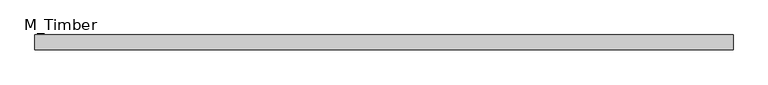
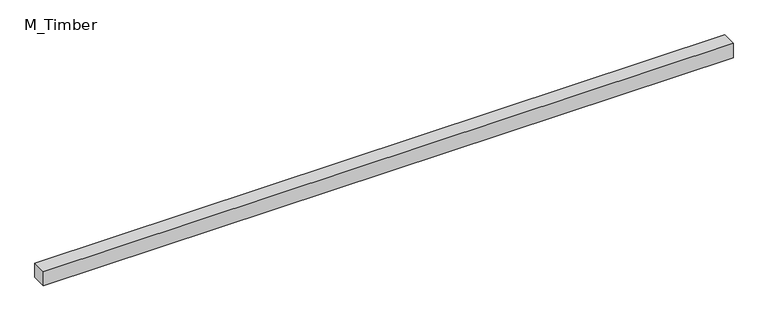
"""IFC4 building model written with IfcOpenShell, lengths in millimetres: beam geometry, M_Timber."""

from ifc_helpers import new_model, si_unit, frame, origin, place, context, project, spatial, polyline, outline, extrude, source, transform, mapped, element, save


def m_timber_1ebc66a3(model_context):
    return source(origin(), model_context, "Body", "SweptSolid", [
        extrude(outline(polyline([(927.2405966, 20.0), (927.2405966, -20.0), (-927.2405966, -20.0), (-927.2405966, 20.0), (927.2405966, 20.0)])), frame((0.0, 0.0, -20.0), z_axis=(0.0, 0.0, 1.0), x_axis=(1.0, 0.0, 0.0)), (0.0, 0.0, 1.0), 40.0),
    ])


if __name__ == "__main__":
    model = new_model("IFC4")
    model_context = context("Model", 3, world=origin())
    ifc_project = project(units=[si_unit("LENGTHUNIT", "METRE", prefix="MILLI")], contexts=[model_context])
    site = spatial("IfcSite", under=ifc_project)
    building = spatial("IfcBuilding", under=site)
    placement = place(None, origin())
    m_timber_shape = m_timber_1ebc66a3(model_context)
    element("IfcBeam", 1, ObjectType="M_Timber", at=placement, inside=building, context=model_context, shape_type="MappedRepresentation", body=[
        mapped(m_timber_shape, transform((0.0, 0.0, 0.0), x_axis=(1.0, 0.0, 0.0), y_axis=(0.0, 1.0, 0.0), z_axis=(0.0, 0.0, 1.0))),
    ])
    save(model, "model.ifc")
